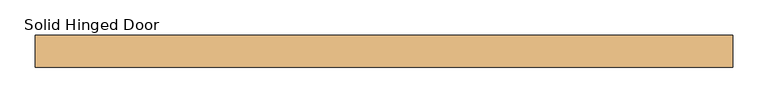
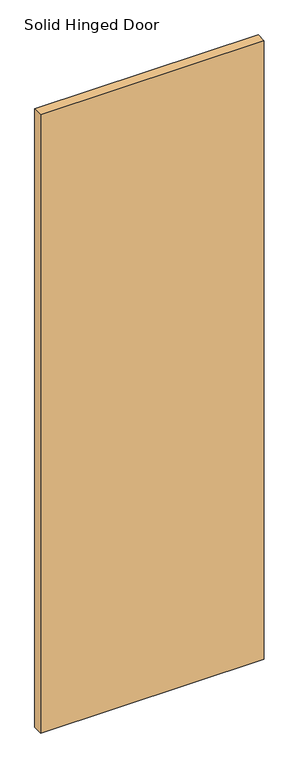
"""IFC4 building model written with IfcOpenShell, lengths in millimetres: door geometry, Solid Hinged Door."""

from ifc_helpers import new_model, si_unit, frame, origin, place, context, project, spatial, polyline, outline, extrude, source, transform, mapped, element, save


def solid_hinged_door_2c68a7bf(model_context):
    return source(origin(), model_context, "Body", "SweptSolid", [
        extrude(outline(polyline([(490.9483606, -22.225), (-490.9483606, -22.225), (-490.9483606, 22.225), (490.9483606, 22.225), (490.9483606, -22.225)])), frame((0.0, 0.0, 12.7), z_axis=(0.0, 0.0, 1.0), x_axis=(1.0, 0.0, 0.0)), (0.0, 0.0, 1.0), 2869.8787999),
    ])


if __name__ == "__main__":
    model = new_model("IFC4")
    model_context = context("Model", 3, world=origin())
    ifc_project = project(units=[si_unit("LENGTHUNIT", "METRE", prefix="MILLI")], contexts=[model_context])
    site = spatial("IfcSite", under=ifc_project)
    building = spatial("IfcBuilding", under=site)
    placement = place(None, origin())
    solid_hinged_door_shape = solid_hinged_door_2c68a7bf(model_context)
    element("IfcDoor", 1, ObjectType="Solid Hinged Door", at=placement, inside=building, context=model_context, shape_type="MappedRepresentation", body=[
        mapped(solid_hinged_door_shape, transform((0.0, 0.0, 0.0), x_axis=(1.0, 0.0, 0.0), y_axis=(0.0, 1.0, 0.0), z_axis=(0.0, 0.0, 1.0))),
    ])
    save(model, "model.ifc")
